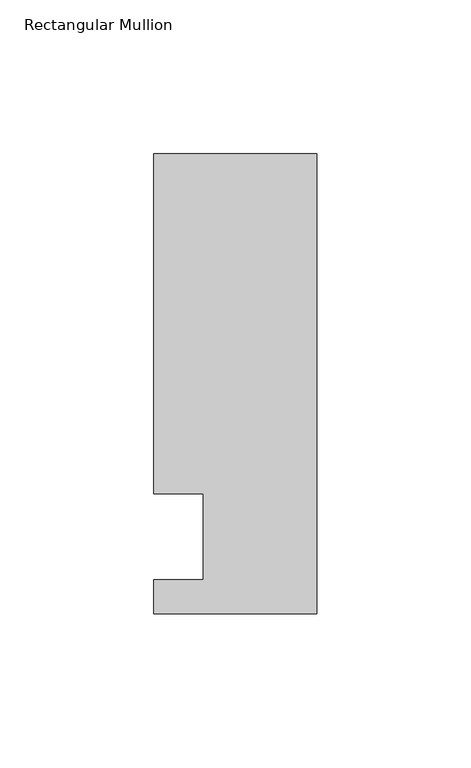
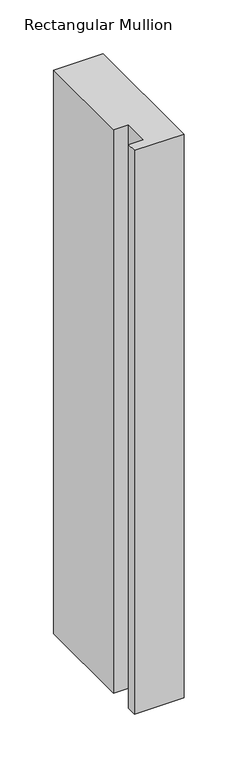
"""IFC4 building model written with IfcOpenShell, lengths in millimetres: member geometry, Rectangular Mullion."""

from ifc_helpers import new_model, si_unit, frame, origin, place, context, project, spatial, polyline, outline, extrude, source, transform, mapped, element, save


def rectangular_mullion_9ca5fb3e(model_context):
    return source(origin(), model_context, "Body", "SweptSolid", [
        extrude(outline(polyline([(-37.0, -13.9999453), (-37.0, 14.0000547), (-53.0, 14.0000547), (-53.0, 124.5000547), (0.0, 124.5000547), (0.0, -24.9999453), (-53.0, -24.9999453), (-53.0, -13.9999453), (-37.0, -13.9999453)])), frame((0.0, 0.0, -637.636115), z_axis=(0.0, 0.0, 1.0), x_axis=(1.0, 0.0, 0.0)), (0.0, 0.0, 1.0), 637.636115),
    ])


if __name__ == "__main__":
    model = new_model("IFC4")
    model_context = context("Model", 3, world=origin())
    ifc_project = project(units=[si_unit("LENGTHUNIT", "METRE", prefix="MILLI")], contexts=[model_context])
    site = spatial("IfcSite", under=ifc_project)
    building = spatial("IfcBuilding", under=site)
    placement = place(None, origin())
    rectangular_mullion_shape = rectangular_mullion_9ca5fb3e(model_context)
    element("IfcMember", 1, ObjectType="Rectangular Mullion", at=placement, inside=building, context=model_context, shape_type="MappedRepresentation", body=[
        mapped(rectangular_mullion_shape, transform((0.0, 0.0, 0.0), x_axis=(1.0, 0.0, 0.0), y_axis=(0.0, 1.0, 0.0), z_axis=(0.0, 0.0, 1.0))),
    ])
    save(model, "model.ifc")
